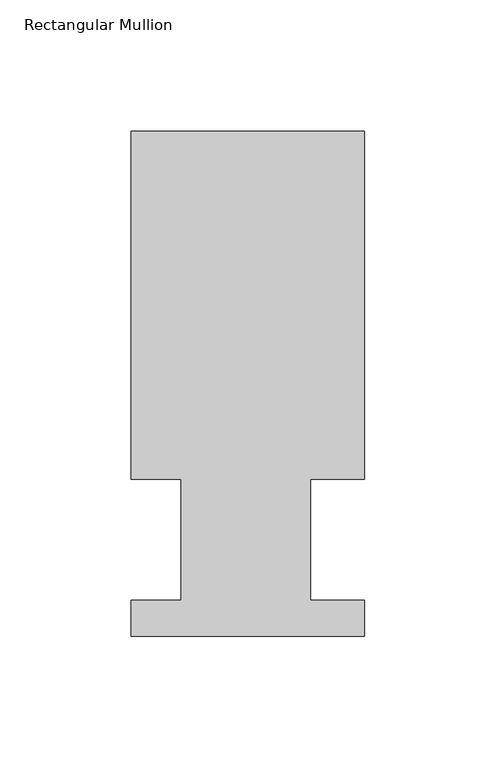
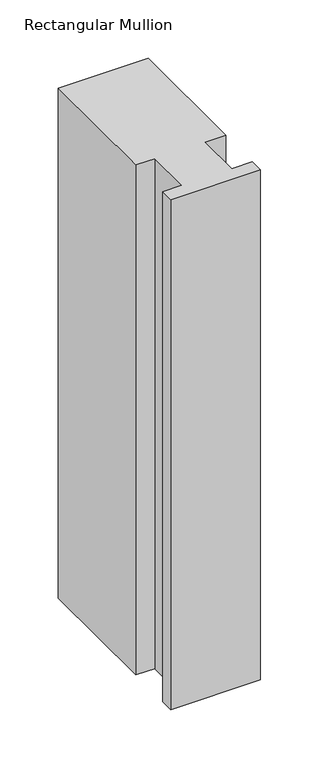
"""IFC4 building model written with IfcOpenShell, lengths in millimetres: member geometry, Rectangular Mullion."""

import ifcopenshell
import ifcopenshell.guid

model = None  # the IFC model being written
_history = None  # IfcOwnerHistory: only IFC2X3 demands one
_inside = {}  # id of a spatial element -> (the spatial element, [elements in it])
_under = {}  # id of a project, library or spatial element -> (it, [spatial elements below it])
_declared = {}  # id of a project -> (the project, [libraries it declares])
_typed = {}  # id of a type object -> (the type object, [elements of that type])
_made_of = {}  # id of a material, layer set ... -> (it, [elements and type objects made of it])


def new_model(schema):
    """Start an empty IFC model of exactly this schema.

    Asked for "IFC4X3", IfcOpenShell would pick the latest addendum, in which some entities
    have other attributes; the version numbers below select the first issue.
    IFC2X3 requires an IfcOwnerHistory on every rooted entity: one is made here for all.
    """
    global model, _history
    if schema == "IFC4X3":
        model = ifcopenshell.file(schema_version=(4, 3, 0, 0))
    else:
        model = ifcopenshell.file(schema=schema)
    _inside.clear()
    _under.clear()
    _declared.clear()
    _typed.clear()
    _made_of.clear()
    _history = None
    if model.schema == "IFC2X3":
        org = make("IfcOrganization", Name="unknown")
        user = make(
            "IfcPersonAndOrganization",
            ThePerson=make("IfcPerson", FamilyName="unknown"),
            TheOrganization=org,
        )
        app = make(
            "IfcApplication",
            ApplicationDeveloper=org,
            Version="unknown",
            ApplicationFullName="unknown",
            ApplicationIdentifier="unknown",
        )
        _history = make(
            "IfcOwnerHistory",
            OwningUser=user,
            OwningApplication=app,
            ChangeAction="ADDED",
            CreationDate=0,
        )
    return model


def make(cls, **values):
    """One entity of the class cls with the attributes given. An attribute that is None is left unset."""
    return model.create_entity(
        cls, **{name: value for name, value in values.items() if value is not None}
    )


def rooted(cls, **values):
    """An entity with a GlobalId (a new one), such as an element, a storey or a relation."""
    return make(cls, GlobalId=ifcopenshell.guid.new(), OwnerHistory=_history, **values)


def si_unit(unit_type, name, prefix=None):
    """IfcSIUnit, for example si_unit("LENGTHUNIT", "METRE", prefix="MILLI")."""
    return make("IfcSIUnit", UnitType=unit_type, Prefix=prefix, Name=name)


def assignment(units):
    """IfcUnitAssignment: the units of a project."""
    return None if units is None else make("IfcUnitAssignment", Units=units)


def point(xyz):
    """IfcCartesianPoint."""
    return None if xyz is None else make("IfcCartesianPoint", Coordinates=xyz)


def direction(xyz):
    """IfcDirection."""
    return None if xyz is None else make("IfcDirection", DirectionRatios=xyz)


def frame(location, z_axis=None, x_axis=None):
    """IfcAxis2Placement3D, a coordinate frame: its origin and axes. An axis left out is left unset."""
    return make(
        "IfcAxis2Placement3D",
        Location=point(location),
        Axis=direction(z_axis),
        RefDirection=direction(x_axis),
    )


def origin():
    """The frame at (0, 0, 0) with its axes left unset."""
    return frame((0.0, 0.0, 0.0))


def place(relative_to, where):
    """IfcLocalPlacement: puts the frame where relative to a parent placement (None: the world)."""
    return make(
        "IfcLocalPlacement", PlacementRelTo=relative_to, RelativePlacement=where
    )


def context(
    kind, dimensions, precision=None, world=None, true_north=None, identifier=None
):
    """IfcGeometricRepresentationContext, for example the 3D "Model" context."""
    return make(
        "IfcGeometricRepresentationContext",
        ContextIdentifier=identifier,
        ContextType=kind,
        CoordinateSpaceDimension=dimensions,
        Precision=precision,
        WorldCoordinateSystem=world,
        TrueNorth=true_north,
    )


def project(units=None, contexts=None):
    """IfcProject with its units and contexts."""
    return rooted(
        "IfcProject",
        Name="project",
        RepresentationContexts=contexts,
        UnitsInContext=assignment(units),
    )


def spatial(cls, under=None, at=None, **own):
    """A site, building, storey or space (cls), placed at a placement, below another one or the project."""
    s = rooted(cls, ObjectPlacement=at, **own)
    if under is not None:
        _under.setdefault(under.id(), (under, []))[1].append(s)
    return s


def polyline(points):
    """IfcPolyline through the points."""
    return make("IfcPolyline", Points=[point(p) for p in points])


def outline(outer, holes=None, kind="AREA"):
    """IfcArbitraryClosedProfileDef: a profile drawn as a closed curve; with holes, ...WithVoids."""
    if holes is None:
        return make("IfcArbitraryClosedProfileDef", ProfileType=kind, OuterCurve=outer)
    return make(
        "IfcArbitraryProfileDefWithVoids",
        ProfileType=kind,
        OuterCurve=outer,
        InnerCurves=holes,
    )


def extrude(swept, where, along, depth):
    """IfcExtrudedAreaSolid: the profile swept, set in the frame where, extruded along a direction by depth."""
    return make(
        "IfcExtrudedAreaSolid",
        SweptArea=swept,
        Position=where,
        ExtrudedDirection=direction(along),
        Depth=depth,
    )


def shape(context_of_items, identifier, shape_type, items):
    """IfcShapeRepresentation: the items that make up one representation, for example the "Body"."""
    return make(
        "IfcShapeRepresentation",
        ContextOfItems=context_of_items,
        RepresentationIdentifier=identifier,
        RepresentationType=shape_type,
        Items=items,
    )


def source(mapping_origin, context_of_items, identifier, shape_type, items):
    """IfcRepresentationMap: a shape defined once, which mapped items show again and again."""
    return make(
        "IfcRepresentationMap",
        MappingOrigin=mapping_origin,
        MappedRepresentation=shape(context_of_items, identifier, shape_type, items),
    )


def transform(
    local_origin,
    x_axis=None,
    y_axis=None,
    z_axis=None,
    scale=None,
    scale2=None,
    scale3=None,
    uniform=True,
):
    """IfcCartesianTransformationOperator3D, or its non-uniform kind. x_axis, y_axis, z_axis: its Axis1, 2, 3."""
    if uniform:
        return make(
            "IfcCartesianTransformationOperator3D",
            Axis1=direction(x_axis),
            Axis2=direction(y_axis),
            LocalOrigin=point(local_origin),
            Scale=scale,
            Axis3=direction(z_axis),
        )
    return make(
        "IfcCartesianTransformationOperator3DnonUniform",
        Axis1=direction(x_axis),
        Axis2=direction(y_axis),
        LocalOrigin=point(local_origin),
        Scale=scale,
        Axis3=direction(z_axis),
        Scale2=scale2,
        Scale3=scale3,
    )


def mapped(mapping_source, mapping_target):
    """IfcMappedItem: shows the shape of a source again, moved by a transform."""
    return make(
        "IfcMappedItem", MappingSource=mapping_source, MappingTarget=mapping_target
    )


def made_of(thing, what):
    """Note that an element or type object is made of a material, layer set ...; save() writes the relation."""
    if what is not None:
        _made_of.setdefault(what.id(), (what, []))[1].append(thing)
    return thing


def element(
    cls,
    number,
    at=None,
    inside=None,
    cuts=None,
    type_object=None,
    material=None,
    context=None,
    identifier="Body",
    shape_type=None,
    held_by="IfcProductDefinitionShape",
    body=None,
    shapes=None,
    **own,
):
    """One element of the class cls, such as IfcWall. Its Tag is "e" and its number.

    at: its placement. inside: the storey or other place that contains it. cuts: it is an
    opening in that element (IfcRelVoidsElement). A single representation is given by context,
    identifier, shape_type and body (its items); several are given by shapes. held_by: the class
    of the entity that holds the representations. save() writes the other relations.
    """
    e = rooted(cls, Tag="e%d" % number, ObjectPlacement=at, **own)
    if body is not None:
        shapes = [shape(context, identifier, shape_type, body)]
    if shapes is not None:
        e.Representation = make(held_by, Representations=shapes)
    if inside is not None:
        _inside.setdefault(inside.id(), (inside, []))[1].append(e)
    if cuts is not None:
        rooted(
            "IfcRelVoidsElement", RelatingBuildingElement=cuts, RelatedOpeningElement=e
        )
    if type_object is not None:
        _typed.setdefault(type_object.id(), (type_object, []))[1].append(e)
    return made_of(e, material)


def aggregate(whole, parts):
    """IfcRelAggregates: a whole, such as a stair, and the parts it consists of."""
    return rooted("IfcRelAggregates", RelatingObject=whole, RelatedObjects=parts)


def save(model, path):
    """Write the relations noted so far, then the file.

    IfcRelAggregates (storeys below a building ...), IfcRelContainedInSpatialStructure (elements
    in a storey), IfcRelDefinesByType, IfcRelAssociatesMaterial and IfcRelDeclares: one each for
    every whole, place, type object, material and project.
    """
    for whole, parts in _under.values():
        aggregate(whole, parts)
    for where, things in _inside.values():
        rooted(
            "IfcRelContainedInSpatialStructure",
            RelatedElements=things,
            RelatingStructure=where,
        )
    for kind, things in _typed.values():
        rooted("IfcRelDefinesByType", RelatedObjects=things, RelatingType=kind)
    for what, things in _made_of.values():
        rooted("IfcRelAssociatesMaterial", RelatedObjects=things, RelatingMaterial=what)
    for by, libraries in _declared.values():
        rooted("IfcRelDeclares", RelatingContext=by, RelatedDefinitions=libraries)
    model.write(path)


def rectangular_mullion_06bf9580(model_context):
    return source(origin(), model_context, "Body", "SweptSolid", [
        extrude(outline(polyline([(-88.9, 192.09385), (0.0, 192.09385), (0.0, 59.53125), (-20.6248, 59.53125), (-20.6248, 13.50645), (0.0, 13.50645), (0.0, -0.26035), (-88.9, -0.26035), (-88.9, 13.50645), (-69.85, 13.50645), (-69.85, 59.53125), (-88.9, 59.53125), (-88.9, 192.09385)])), frame((0.0, 0.0, -533.4), z_axis=(0.0, 0.0, 1.0), x_axis=(1.0, 0.0, 0.0)), (0.0, 0.0, 1.0), 533.4),
    ])


if __name__ == "__main__":
    model = new_model("IFC4")
    model_context = context("Model", 3, world=origin())
    ifc_project = project(units=[si_unit("LENGTHUNIT", "METRE", prefix="MILLI")], contexts=[model_context])
    site = spatial("IfcSite", under=ifc_project)
    building = spatial("IfcBuilding", under=site)
    placement = place(None, origin())
    rectangular_mullion_shape = rectangular_mullion_06bf9580(model_context)
    element("IfcMember", 1, ObjectType="Rectangular Mullion", at=placement, inside=building, context=model_context, shape_type="MappedRepresentation", body=[
        mapped(rectangular_mullion_shape, transform((0.0, 0.0, 0.0), x_axis=(1.0, 0.0, 0.0), y_axis=(0.0, 1.0, 0.0), z_axis=(0.0, 0.0, 1.0))),
    ])
    save(model, "model.ifc")
